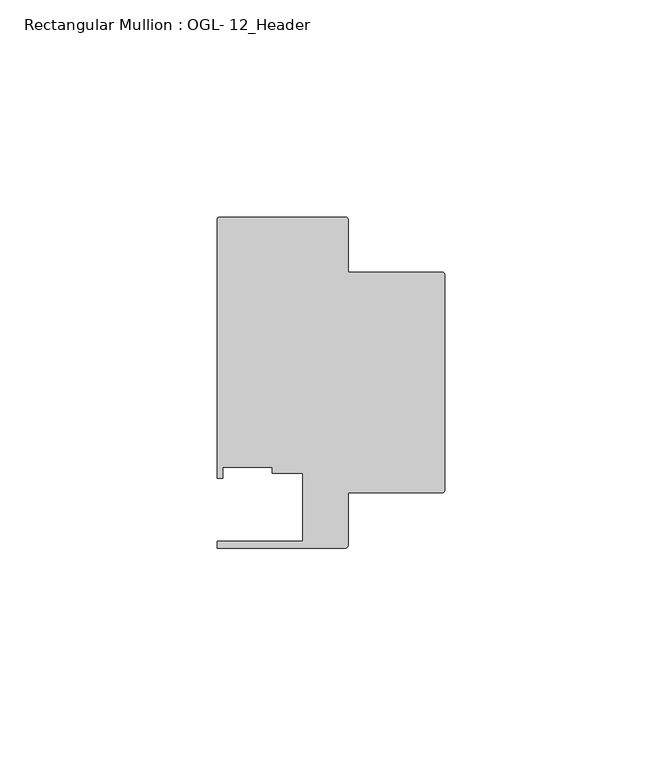
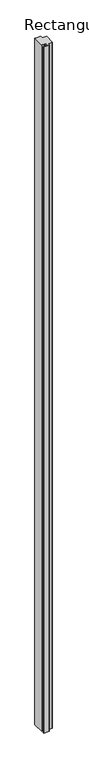
"""IFC4 building model written with IfcOpenShell, lengths in millimetres: member geometry, Rectangular Mullion : OGL- 12_Header."""

from ifc_helpers import new_model, si_unit, point, frame, frame_2d, origin, place, context, project, spatial, polyline, circle_curve, trimmed, segment, composite_curve, outline, extrude, source, transform, mapped, element, save


def rectangular_mullion_ogl_12_header_f8850cf2(model_context):
    return source(origin(), model_context, "Body", "SweptSolid", [
        extrude(outline(composite_curve([segment(trimmed(circle_curve(frame_2d((-0.5953125, 24.8046875)), 0.5953125), [point((-0.5953125, 25.4))], [point((0.0, 24.8046875))], False, "CARTESIAN"), True, "CONTINUOUS"), segment(polyline([(0.0, 24.8046875), (0.0, -24.8046875)]), True, "CONTINUOUS"), segment(trimmed(circle_curve(frame_2d((-0.5953125, -24.8046875)), 0.5953125), [point((0.0, -24.8046875))], [point((-0.5953125, -25.4))], False, "CARTESIAN"), True, "CONTINUOUS"), segment(polyline([(-0.5953125, -25.4), (-22.2332898, -25.4), (-22.2332898, -37.456959)]), True, "CONTINUOUS"), segment(trimmed(circle_curve(frame_2d((-22.8763468, -37.456959)), 0.643057), [point((-22.2332898, -37.456959))], [point((-22.8763468, -38.100016))], False, "CARTESIAN"), True, "CONTINUOUS"), segment(polyline([(-22.8763468, -38.100016), (-52.3830881, -38.100016), (-52.3830881, -36.512516), (-32.730302, -36.512516), (-32.730302, -20.8257348), (-39.7567771, -20.8257348), (-39.7567771, -19.4824275), (-51.1362531, -19.4824275), (-51.1362531, -21.9710976), (-52.3921824, -21.9710976), (-52.3921824, 37.5043667)]), True, "CONTINUOUS"), segment(trimmed(circle_curve(frame_2d((-51.7968699, 37.5043667)), 0.5953125), [point((-52.3921824, 37.5043667))], [point((-51.7968699, 38.0996792))], False, "CARTESIAN"), True, "CONTINUOUS"), segment(polyline([(-51.7968699, 38.0996792), (-22.8286023, 38.0996792)]), True, "CONTINUOUS"), segment(trimmed(circle_curve(frame_2d((-22.8286023, 37.5043667)), 0.5953125), [point((-22.8286023, 38.0996792))], [point((-22.2332898, 37.5043667))], False, "CARTESIAN"), True, "CONTINUOUS"), segment(polyline([(-22.2332898, 37.5043667), (-22.2332898, 25.4), (-0.5953125, 25.4)]), True, "CONTINUOUS")], self_intersect=False)), frame((0.0, 0.0, -3676.65), z_axis=(0.0, 0.0, 1.0), x_axis=(1.0, 0.0, 0.0)), (0.0, 0.0, 1.0), 3676.65),
    ])


if __name__ == "__main__":
    model = new_model("IFC4")
    model_context = context("Model", 3, world=origin())
    ifc_project = project(units=[si_unit("LENGTHUNIT", "METRE", prefix="MILLI")], contexts=[model_context])
    site = spatial("IfcSite", under=ifc_project)
    building = spatial("IfcBuilding", under=site)
    placement = place(None, origin())
    rectangular_mullion_ogl_12_header_shape = rectangular_mullion_ogl_12_header_f8850cf2(model_context)
    element("IfcMember", 1, ObjectType="Rectangular Mullion : OGL- 12_Header", at=placement, inside=building, context=model_context, shape_type="MappedRepresentation", body=[
        mapped(rectangular_mullion_ogl_12_header_shape, transform((0.0, 0.0, 0.0), x_axis=(1.0, 0.0, 0.0), y_axis=(0.0, 1.0, 0.0), z_axis=(0.0, 0.0, 1.0))),
    ])
    save(model, "model.ifc")
